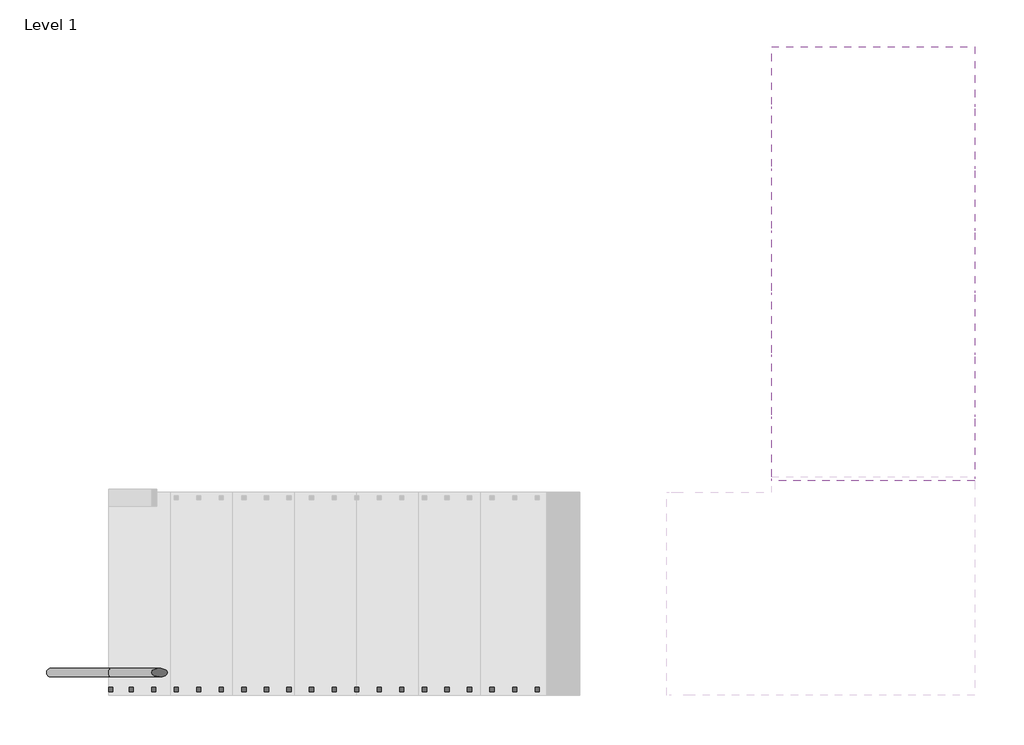
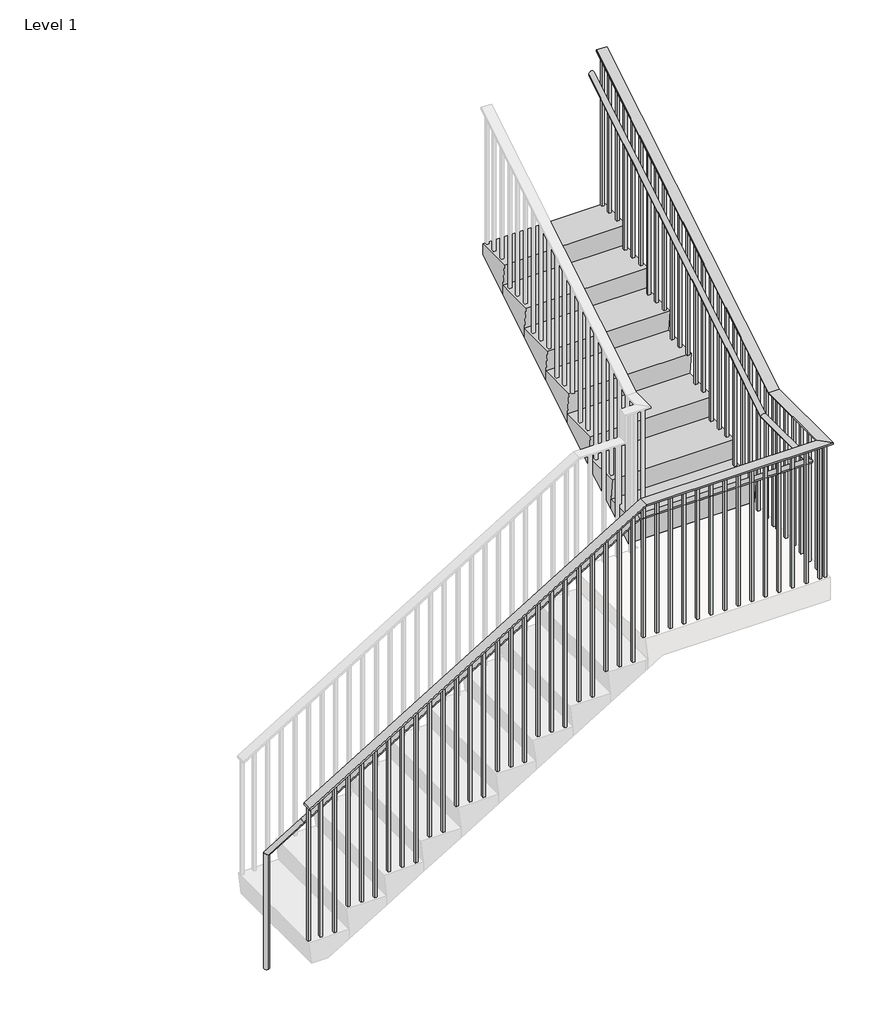
# One storey, part 2 of 2: 1 railing, 1 stair flight.
"""IFC4 building model written with IfcOpenShell, lengths in millimetres."""

from ifc_helpers import new_model, si_unit, frame, origin, place, context, project, spatial, polyline, circle_curve, ellipse_curve, outline, extrude, faceted_brep, element, save
from ifc_brep_helpers import plane_surface, cylinder_surface, advanced_brep

model = new_model("IFC4")

# Units and contexts
model_context = context("Model", 3, world=origin())
ifc_project = project(units=[si_unit("LENGTHUNIT", "METRE", prefix="MILLI")], contexts=[model_context])

# Site, building, storey
site = spatial("IfcSite", under=ifc_project)
building = spatial("IfcBuilding", under=site)
storey = spatial("IfcBuildingStorey", under=building, Name="Level 1", Elevation=0.0)

# Railing
placement = place(None, origin())
element("IfcRailing", 1, ObjectType="Guardrail - Rectangular", at=placement, inside=storey, context=model_context, shape_type="SolidModel", body=[
    advanced_brep(
    [(1438.9777256, -5324.6450782, 1067.4418146), (1438.9777256, -5362.7450782, 1067.4418146), (3949.0262314, -5362.7450782, 2588.6833333), (3949.0262314, -5324.6450782, 2588.6833333), (5247.1620529, -5362.7450782, 2588.6833333), (5209.0620529, -5324.6450782, 2588.6833333), (5247.1620529, -4754.1729247, 2588.6833333), (5209.0620529, -4754.1729247, 2588.6833333), (5247.1620529, -2524.2950782, 3940.1244524), (5209.0620529, -2524.2950782, 3940.1244524), (1168.7540779, -5362.7450782, 0.0), (1168.7540779, -5324.6450782, 0.0), (1168.7540779, -5362.7450782, 903.669907), (1168.7540779, -5324.6450782, 903.669907)],
    [
        (0, 1, circle_curve(frame((1438.9777256, -5343.6950782, 1067.4418146), z_axis=(0.8551978315540538, 0.0, 0.518301716093285), x_axis=(0.0, 1.0, 0.0)), 19.05)),
        (1, 2),
        (2, 3, ellipse_curve(frame((3949.0262314, -5343.6950782, 2588.6833333), z_axis=(-0.963119367356418, 0.0, -0.26907449567540426), x_axis=(0.26907449567540465, 0.0, -0.9631193673564179)), 19.7794797, 19.05)),
        (3, 0),
        (1, 0, circle_curve(frame((1438.9777256, -5343.6950782, 1067.4418146), z_axis=(0.8551978315540538, 0.0, 0.518301716093285), x_axis=(0.0, 1.0, 0.0)), 19.05)),
        (3, 2, ellipse_curve(frame((3949.0262314, -5343.6950782, 2588.6833333), z_axis=(-0.963119367356418, 0.0, -0.26907449567540426), x_axis=(0.26907449567540465, 0.0, -0.9631193673564179)), 19.7794797, 19.05)),
        (2, 4),
        (4, 5, ellipse_curve(frame((5228.1120529, -5343.6950782, 2588.6833333), z_axis=(-0.70710678118655, -0.7071067811865449, 0.0), x_axis=(-0.707106781186545, 0.7071067811865499, 0.0)), 26.9407684, 19.05)),
        (5, 3),
        (5, 4, ellipse_curve(frame((5228.1120529, -5343.6950782, 2588.6833333), z_axis=(-0.70710678118655, -0.7071067811865449, 0.0), x_axis=(-0.707106781186545, 0.7071067811865499, 0.0)), 26.9407684, 19.05)),
        (4, 6),
        (6, 7, ellipse_curve(frame((5228.1120529, -4754.1729247, 2588.6833333), z_axis=(0.0, -0.9631193673564181, -0.2690744956754042), x_axis=(0.0, -0.26907449567540354, 0.9631193673564181)), 19.7794797, 19.05)),
        (7, 5),
        (7, 6, ellipse_curve(frame((5228.1120529, -4754.1729247, 2588.6833333), z_axis=(0.0, -0.9631193673564181, -0.2690744956754042), x_axis=(0.0, -0.26907449567540354, 0.9631193673564181)), 19.7794797, 19.05)),
        (8, 9, ellipse_curve(frame((5228.1120529, -2524.2950782, 3940.1244524), z_axis=(0.0, 1.0, 0.0), x_axis=(0.0, 0.0, -1.0)), 22.2755476, 19.05)),
        (9, 8, ellipse_curve(frame((5228.1120529, -2524.2950782, 3940.1244524), z_axis=(0.0, 1.0, 0.0), x_axis=(0.0, 0.0, -1.0)), 22.2755476, 19.05)),
        (6, 8),
        (9, 7),
        (10, 11, circle_curve(frame((1168.7540779, -5343.6950782, 0.0), z_axis=(0.0, 0.0, -1.0), x_axis=(0.0, 1.0, 0.0)), 19.05)),
        (11, 10, circle_curve(frame((1168.7540779, -5343.6950782, 0.0), z_axis=(0.0, 0.0, -1.0), x_axis=(0.0, 1.0, 0.0)), 19.05)),
        (10, 12),
        (12, 13, ellipse_curve(frame((1168.7540779, -5343.6950782, 903.669907), z_axis=(-0.4907638352133922, 0.0, -0.8712926362862494), x_axis=(0.8712926362862494, 0.0, -0.49076383521339206)), 21.8640663, 19.05)),
        (13, 11),
        (13, 12, ellipse_curve(frame((1168.7540779, -5343.6950782, 903.669907), z_axis=(-0.4907638352133922, 0.0, -0.8712926362862494), x_axis=(0.8712926362862494, 0.0, -0.49076383521339206)), 21.8640663, 19.05)),
        (12, 1),
        (0, 13),
    ],
    [
        cylinder_surface(frame((1438.9777256, -5343.6950782, 1067.4418146), z_axis=(-0.8551978315540538, 0.0, -0.518301716093285), x_axis=(0.0, 1.0, 0.0)), 19.05),
        cylinder_surface(frame((3943.7040779, -5343.6950782, 2588.6833333), z_axis=(-1.0, 0.0, 0.0), x_axis=(0.0, 1.0, 0.0)), 19.05),
        cylinder_surface(frame((5228.1120529, -5343.6950782, 2588.6833333), z_axis=(0.0, -1.0, 0.0), x_axis=(-1.0, 0.0, 0.0)), 19.05),
        plane_surface(frame((5228.1120529, -2524.2950782, 3962.4), z_axis=(0.0, 1.0, 0.0), x_axis=(0.0, 0.0, 1.0))),
        cylinder_surface(frame((5228.1120529, -4749.6214305, 2591.4418146), z_axis=(0.0, -0.8551978315540539, -0.5183017160932849), x_axis=(-1.0, 0.0, 0.0)), 19.05),
        plane_surface(frame((1149.7040779, -5381.7950782, 0.0), z_axis=(0.0, 0.0, -1.0), x_axis=(1.0, 0.0, 0.0))),
        cylinder_surface(frame((1168.7540779, -5343.6950782, 0.0), z_axis=(0.0, 0.0, -1.0), x_axis=(0.0, 1.0, 0.0)), 19.05),
        cylinder_surface(frame((1159.5777256, -5343.6950782, 898.1084813), z_axis=(-0.8551978315540538, 0.0, -0.518301716093285), x_axis=(0.0, 1.0, 0.0)), 19.05),
    ],
    [
        (0, [[1, 2, 3, 4]]),
        (0, [[5, -4, 6, -2]]),
        (1, [[-3, 7, 8, 9]]),
        (1, [[-6, -9, 10, -7]]),
        (2, [[-8, 11, 12, 13]]),
        (2, [[-10, -13, 14, -11]]),
        (3, [[15, 16]]),
        (4, [[-12, 17, -16, 18]]),
        (4, [[-14, -18, -15, -17]]),
        (5, [[19, 20]]),
        (6, [[-19, 21, 22, 23]]),
        (6, [[-20, -23, 24, -21]]),
        (7, [[-22, 25, -1, 26]]),
        (7, [[-24, -26, -5, -25]]),
    ],
),
    faceted_brep([(1429.1040779, -5381.7950782, 1236.1333333), (1429.1040779, -5381.7950782, 1221.2829683), (1429.1040779, -5457.9950782, 1221.2829683), (1429.1040779, -5457.9950782, 1236.1333333), (3943.7040779, -5381.7950782, 2760.1333333), (3947.2521803, -5381.7950782, 2747.4333333), (3947.2521803, -5457.9950782, 2747.4333333), (3943.7040779, -5457.9950782, 2760.1333333), (5266.2120529, -5381.7950782, 2760.1333333), (5266.2120529, -5381.7950782, 2747.4333333), (5342.4120529, -5457.9950782, 2747.4333333), (5342.4120529, -5457.9950782, 2760.1333333), (5266.2120529, -4759.4950782, 2760.1333333), (5266.2120529, -4755.9469758, 2747.4333333), (5342.4120529, -4755.9469758, 2747.4333333), (5342.4120529, -4759.4950782, 2760.1333333), (5266.2120529, -2524.2950782, 4114.8), (5342.4120529, -2524.2950782, 4114.8), (5342.4120529, -2524.2950782, 4099.9496349), (5266.2120529, -2524.2950782, 4099.9496349)], [[[0, 1, 2, 3]], [[1, 0, 4, 5]], [[2, 1, 5, 6]], [[3, 2, 6, 7]], [[0, 3, 7, 4]], [[5, 4, 8, 9]], [[6, 5, 9, 10]], [[7, 6, 10, 11]], [[4, 7, 11, 8]], [[9, 8, 12, 13]], [[10, 9, 13, 14]], [[11, 10, 14, 15]], [[8, 11, 15, 12]], [[16, 17, 18, 19]], [[13, 12, 16, 19]], [[14, 13, 19, 18]], [[15, 14, 18, 17]], [[12, 15, 17, 16]]]),
    extrude(outline(polyline([(-2635.4200782, 4032.6011501), (-2616.3700782, 4044.1466046), (-2616.3700782, 2878.6666667), (-2635.4200782, 2878.6666667), (-2635.4200782, 4032.6011501)])), frame((5294.7870529, 0.0, 0.0), z_axis=(1.0, 0.0, 0.0), x_axis=(0.0, 1.0, 0.0)), (0.0, 0.0, 1.0), 19.05),
    extrude(outline(polyline([(-2737.0200782, 3971.0253925), (-2717.9700782, 3982.5708471), (-2717.9700782, 2878.6666667), (-2737.0200782, 2878.6666667), (-2737.0200782, 3971.0253925)])), frame((5294.7870529, 0.0, 0.0), z_axis=(1.0, 0.0, 0.0), x_axis=(0.0, 1.0, 0.0)), (0.0, 0.0, 1.0), 19.05),
    extrude(outline(polyline([(-2838.6200782, 3909.4496349), (-2819.5700782, 3920.9950895), (-2819.5700782, 2709.3333333), (-2838.6200782, 2709.3333333), (-2838.6200782, 3909.4496349)])), frame((5294.7870529, 0.0, 0.0), z_axis=(1.0, 0.0, 0.0), x_axis=(0.0, 1.0, 0.0)), (0.0, 0.0, 1.0), 19.05),
    extrude(outline(polyline([(-2940.2200782, 3847.8738774), (-2921.1700782, 3859.4193319), (-2921.1700782, 2709.3333333), (-2940.2200782, 2709.3333333), (-2940.2200782, 3847.8738774)])), frame((5294.7870529, 0.0, 0.0), z_axis=(1.0, 0.0, 0.0), x_axis=(0.0, 1.0, 0.0)), (0.0, 0.0, 1.0), 19.05),
    extrude(outline(polyline([(-3041.8200782, 3786.2981198), (-3022.7700782, 3797.8435743), (-3022.7700782, 2709.3333333), (-3041.8200782, 2709.3333333), (-3041.8200782, 3786.2981198)])), frame((5294.7870529, 0.0, 0.0), z_axis=(1.0, 0.0, 0.0), x_axis=(0.0, 1.0, 0.0)), (0.0, 0.0, 1.0), 19.05),
    extrude(outline(polyline([(-3143.4200782, 3724.7223622), (-3124.3700782, 3736.2678168), (-3124.3700782, 2540.0), (-3143.4200782, 2540.0), (-3143.4200782, 3724.7223622)])), frame((5294.7870529, 0.0, 0.0), z_axis=(1.0, 0.0, 0.0), x_axis=(0.0, 1.0, 0.0)), (0.0, 0.0, 1.0), 19.05),
    extrude(outline(polyline([(-3245.0200782, 3663.1466046), (-3225.9700782, 3674.6920592), (-3225.9700782, 2540.0), (-3245.0200782, 2540.0), (-3245.0200782, 3663.1466046)])), frame((5294.7870529, 0.0, 0.0), z_axis=(1.0, 0.0, 0.0), x_axis=(0.0, 1.0, 0.0)), (0.0, 0.0, 1.0), 19.05),
    extrude(outline(polyline([(-3346.6200782, 3601.5708471), (-3327.5700782, 3613.1163016), (-3327.5700782, 2540.0), (-3346.6200782, 2540.0), (-3346.6200782, 3601.5708471)])), frame((5294.7870529, 0.0, 0.0), z_axis=(1.0, 0.0, 0.0), x_axis=(0.0, 1.0, 0.0)), (0.0, 0.0, 1.0), 19.05),
    extrude(outline(polyline([(-3448.2200782, 3539.9950895), (-3429.1700782, 3551.540544), (-3429.1700782, 2370.6666667), (-3448.2200782, 2370.6666667), (-3448.2200782, 3539.9950895)])), frame((5294.7870529, 0.0, 0.0), z_axis=(1.0, 0.0, 0.0), x_axis=(0.0, 1.0, 0.0)), (0.0, 0.0, 1.0), 19.05),
    extrude(outline(polyline([(-3549.8200782, 3478.4193319), (-3530.7700782, 3489.9647865), (-3530.7700782, 2370.6666667), (-3549.8200782, 2370.6666667), (-3549.8200782, 3478.4193319)])), frame((5294.7870529, 0.0, 0.0), z_axis=(1.0, 0.0, 0.0), x_axis=(0.0, 1.0, 0.0)), (0.0, 0.0, 1.0), 19.05),
    extrude(outline(polyline([(-3651.4200782, 3416.8435743), (-3632.3700782, 3428.3890289), (-3632.3700782, 2370.6666667), (-3651.4200782, 2370.6666667), (-3651.4200782, 3416.8435743)])), frame((5294.7870529, 0.0, 0.0), z_axis=(1.0, 0.0, 0.0), x_axis=(0.0, 1.0, 0.0)), (0.0, 0.0, 1.0), 19.05),
    extrude(outline(polyline([(-3753.0200782, 3355.2678168), (-3733.9700782, 3366.8132713), (-3733.9700782, 2201.3333333), (-3753.0200782, 2201.3333333), (-3753.0200782, 3355.2678168)])), frame((5294.7870529, 0.0, 0.0), z_axis=(1.0, 0.0, 0.0), x_axis=(0.0, 1.0, 0.0)), (0.0, 0.0, 1.0), 19.05),
    extrude(outline(polyline([(-3854.6200782, 3293.6920592), (-3835.5700782, 3305.2375137), (-3835.5700782, 2201.3333333), (-3854.6200782, 2201.3333333), (-3854.6200782, 3293.6920592)])), frame((5294.7870529, 0.0, 0.0), z_axis=(1.0, 0.0, 0.0), x_axis=(0.0, 1.0, 0.0)), (0.0, 0.0, 1.0), 19.05),
    extrude(outline(polyline([(-3956.2200782, 3232.1163016), (-3937.1700782, 3243.6617561), (-3937.1700782, 2032.0), (-3956.2200782, 2032.0), (-3956.2200782, 3232.1163016)])), frame((5294.7870529, 0.0, 0.0), z_axis=(1.0, 0.0, 0.0), x_axis=(0.0, 1.0, 0.0)), (0.0, 0.0, 1.0), 19.05),
    extrude(outline(polyline([(-4057.8200782, 3170.540544), (-4038.7700782, 3182.0859986), (-4038.7700782, 2032.0), (-4057.8200782, 2032.0), (-4057.8200782, 3170.540544)])), frame((5294.7870529, 0.0, 0.0), z_axis=(1.0, 0.0, 0.0), x_axis=(0.0, 1.0, 0.0)), (0.0, 0.0, 1.0), 19.05),
    extrude(outline(polyline([(-4159.4200782, 3108.9647865), (-4140.3700782, 3120.510241), (-4140.3700782, 2032.0), (-4159.4200782, 2032.0), (-4159.4200782, 3108.9647865)])), frame((5294.7870529, 0.0, 0.0), z_axis=(1.0, 0.0, 0.0), x_axis=(0.0, 1.0, 0.0)), (0.0, 0.0, 1.0), 19.05),
    extrude(outline(polyline([(-4261.0200782, 3047.3890289), (-4241.9700782, 3058.9344834), (-4241.9700782, 1862.6666667), (-4261.0200782, 1862.6666667), (-4261.0200782, 3047.3890289)])), frame((5294.7870529, 0.0, 0.0), z_axis=(1.0, 0.0, 0.0), x_axis=(0.0, 1.0, 0.0)), (0.0, 0.0, 1.0), 19.05),
    extrude(outline(polyline([(-4362.6200782, 2985.8132713), (-4343.5700782, 2997.3587258), (-4343.5700782, 1862.6666667), (-4362.6200782, 1862.6666667), (-4362.6200782, 2985.8132713)])), frame((5294.7870529, 0.0, 0.0), z_axis=(1.0, 0.0, 0.0), x_axis=(0.0, 1.0, 0.0)), (0.0, 0.0, 1.0), 19.05),
    extrude(outline(polyline([(-4464.2200782, 2924.2375137), (-4445.1700782, 2935.7829683), (-4445.1700782, 1862.6666667), (-4464.2200782, 1862.6666667), (-4464.2200782, 2924.2375137)])), frame((5294.7870529, 0.0, 0.0), z_axis=(1.0, 0.0, 0.0), x_axis=(0.0, 1.0, 0.0)), (0.0, 0.0, 1.0), 19.05),
    extrude(outline(polyline([(-4565.8200782, 2862.6617561), (-4546.7700782, 2874.2072107), (-4546.7700782, 1693.3333333), (-4565.8200782, 1693.3333333), (-4565.8200782, 2862.6617561)])), frame((5294.7870529, 0.0, 0.0), z_axis=(1.0, 0.0, 0.0), x_axis=(0.0, 1.0, 0.0)), (0.0, 0.0, 1.0), 19.05),
    extrude(outline(polyline([(-4667.4200782, 2801.0859986), (-4648.3700782, 2812.6314531), (-4648.3700782, 1693.3333333), (-4667.4200782, 1693.3333333), (-4667.4200782, 2801.0859986)])), frame((5294.7870529, 0.0, 0.0), z_axis=(1.0, 0.0, 0.0), x_axis=(0.0, 1.0, 0.0)), (0.0, 0.0, 1.0), 19.05),
    extrude(outline(polyline([(5313.8370529, -4819.8200782), (5294.7870529, -4819.8200782), (5294.7870529, -4800.7700782), (5313.8370529, -4800.7700782), (5313.8370529, -4819.8200782)])), frame((0.0, 0.0, 1693.3333333), z_axis=(0.0, 0.0, 1.0), x_axis=(1.0, 0.0, 0.0)), (0.0, 0.0, 1.0), 1054.1),
    extrude(outline(polyline([(5313.8370529, -4921.4200782), (5294.7870529, -4921.4200782), (5294.7870529, -4902.3700782), (5313.8370529, -4902.3700782), (5313.8370529, -4921.4200782)])), frame((0.0, 0.0, 1693.3333333), z_axis=(0.0, 0.0, 1.0), x_axis=(1.0, 0.0, 0.0)), (0.0, 0.0, 1.0), 1054.1),
    extrude(outline(polyline([(5313.8370529, -5023.0200782), (5294.7870529, -5023.0200782), (5294.7870529, -5003.9700782), (5313.8370529, -5003.9700782), (5313.8370529, -5023.0200782)])), frame((0.0, 0.0, 1693.3333333), z_axis=(0.0, 0.0, 1.0), x_axis=(1.0, 0.0, 0.0)), (0.0, 0.0, 1.0), 1054.1),
    extrude(outline(polyline([(5313.8370529, -5124.6200782), (5294.7870529, -5124.6200782), (5294.7870529, -5105.5700782), (5313.8370529, -5105.5700782), (5313.8370529, -5124.6200782)])), frame((0.0, 0.0, 1693.3333333), z_axis=(0.0, 0.0, 1.0), x_axis=(1.0, 0.0, 0.0)), (0.0, 0.0, 1.0), 1054.1),
    extrude(outline(polyline([(5313.8370529, -5226.2200782), (5294.7870529, -5226.2200782), (5294.7870529, -5207.1700782), (5313.8370529, -5207.1700782), (5313.8370529, -5226.2200782)])), frame((0.0, 0.0, 1693.3333333), z_axis=(0.0, 0.0, 1.0), x_axis=(1.0, 0.0, 0.0)), (0.0, 0.0, 1.0), 1054.1),
    extrude(outline(polyline([(5313.8370529, -5327.8200782), (5294.7870529, -5327.8200782), (5294.7870529, -5308.7700782), (5313.8370529, -5308.7700782), (5313.8370529, -5327.8200782)])), frame((0.0, 0.0, 1693.3333333), z_axis=(0.0, 0.0, 1.0), x_axis=(1.0, 0.0, 0.0)), (0.0, 0.0, 1.0), 1054.1),
    extrude(outline(polyline([(5254.9790779, -5429.4200782), (5254.9790779, -5410.3700782), (5274.0290779, -5410.3700782), (5274.0290779, -5429.4200782), (5254.9790779, -5429.4200782)])), frame((0.0, 0.0, 1693.3333333), z_axis=(0.0, 0.0, 1.0), x_axis=(1.0, 0.0, 0.0)), (0.0, 0.0, 1.0), 1054.1),
    extrude(outline(polyline([(5153.3790779, -5429.4200782), (5153.3790779, -5410.3700782), (5172.4290779, -5410.3700782), (5172.4290779, -5429.4200782), (5153.3790779, -5429.4200782)])), frame((0.0, 0.0, 1693.3333333), z_axis=(0.0, 0.0, 1.0), x_axis=(1.0, 0.0, 0.0)), (0.0, 0.0, 1.0), 1054.1),
    extrude(outline(polyline([(5051.7790779, -5429.4200782), (5051.7790779, -5410.3700782), (5070.8290779, -5410.3700782), (5070.8290779, -5429.4200782), (5051.7790779, -5429.4200782)])), frame((0.0, 0.0, 1693.3333333), z_axis=(0.0, 0.0, 1.0), x_axis=(1.0, 0.0, 0.0)), (0.0, 0.0, 1.0), 1054.1),
    extrude(outline(polyline([(4950.1790779, -5429.4200782), (4950.1790779, -5410.3700782), (4969.2290779, -5410.3700782), (4969.2290779, -5429.4200782), (4950.1790779, -5429.4200782)])), frame((0.0, 0.0, 1693.3333333), z_axis=(0.0, 0.0, 1.0), x_axis=(1.0, 0.0, 0.0)), (0.0, 0.0, 1.0), 1054.1),
    extrude(outline(polyline([(4848.5790779, -5429.4200782), (4848.5790779, -5410.3700782), (4867.6290779, -5410.3700782), (4867.6290779, -5429.4200782), (4848.5790779, -5429.4200782)])), frame((0.0, 0.0, 1693.3333333), z_axis=(0.0, 0.0, 1.0), x_axis=(1.0, 0.0, 0.0)), (0.0, 0.0, 1.0), 1054.1),
    extrude(outline(polyline([(4746.9790779, -5429.4200782), (4746.9790779, -5410.3700782), (4766.0290779, -5410.3700782), (4766.0290779, -5429.4200782), (4746.9790779, -5429.4200782)])), frame((0.0, 0.0, 1693.3333333), z_axis=(0.0, 0.0, 1.0), x_axis=(1.0, 0.0, 0.0)), (0.0, 0.0, 1.0), 1054.1),
    extrude(outline(polyline([(4645.3790779, -5429.4200782), (4645.3790779, -5410.3700782), (4664.4290779, -5410.3700782), (4664.4290779, -5429.4200782), (4645.3790779, -5429.4200782)])), frame((0.0, 0.0, 1693.3333333), z_axis=(0.0, 0.0, 1.0), x_axis=(1.0, 0.0, 0.0)), (0.0, 0.0, 1.0), 1054.1),
    extrude(outline(polyline([(4543.7790779, -5429.4200782), (4543.7790779, -5410.3700782), (4562.8290779, -5410.3700782), (4562.8290779, -5429.4200782), (4543.7790779, -5429.4200782)])), frame((0.0, 0.0, 1693.3333333), z_axis=(0.0, 0.0, 1.0), x_axis=(1.0, 0.0, 0.0)), (0.0, 0.0, 1.0), 1054.1),
    extrude(outline(polyline([(4442.1790779, -5429.4200782), (4442.1790779, -5410.3700782), (4461.2290779, -5410.3700782), (4461.2290779, -5429.4200782), (4442.1790779, -5429.4200782)])), frame((0.0, 0.0, 1693.3333333), z_axis=(0.0, 0.0, 1.0), x_axis=(1.0, 0.0, 0.0)), (0.0, 0.0, 1.0), 1054.1),
    extrude(outline(polyline([(4340.5790779, -5429.4200782), (4340.5790779, -5410.3700782), (4359.6290779, -5410.3700782), (4359.6290779, -5429.4200782), (4340.5790779, -5429.4200782)])), frame((0.0, 0.0, 1693.3333333), z_axis=(0.0, 0.0, 1.0), x_axis=(1.0, 0.0, 0.0)), (0.0, 0.0, 1.0), 1054.1),
    extrude(outline(polyline([(4238.9790779, -5429.4200782), (4238.9790779, -5410.3700782), (4258.0290779, -5410.3700782), (4258.0290779, -5429.4200782), (4238.9790779, -5429.4200782)])), frame((0.0, 0.0, 1693.3333333), z_axis=(0.0, 0.0, 1.0), x_axis=(1.0, 0.0, 0.0)), (0.0, 0.0, 1.0), 1054.1),
    extrude(outline(polyline([(4137.3790779, -5429.4200782), (4137.3790779, -5410.3700782), (4156.4290779, -5410.3700782), (4156.4290779, -5429.4200782), (4137.3790779, -5429.4200782)])), frame((0.0, 0.0, 1693.3333333), z_axis=(0.0, 0.0, 1.0), x_axis=(1.0, 0.0, 0.0)), (0.0, 0.0, 1.0), 1054.1),
    extrude(outline(polyline([(4035.7790779, -5429.4200782), (4035.7790779, -5410.3700782), (4054.8290779, -5410.3700782), (4054.8290779, -5429.4200782), (4035.7790779, -5429.4200782)])), frame((0.0, 0.0, 1693.3333333), z_axis=(0.0, 0.0, 1.0), x_axis=(1.0, 0.0, 0.0)), (0.0, 0.0, 1.0), 1054.1),
    extrude(outline(polyline([(2704.8738774, 3877.0290779), (2693.3284228, 3857.9790779), (1524.0, 3857.9790779), (1524.0, 3877.0290779), (2704.8738774, 3877.0290779)])), frame((0.0, -5429.4200782, 0.0), z_axis=(0.0, 1.0, 0.0), x_axis=(0.0, 0.0, 1.0)), (0.0, 0.0, 1.0), 19.05),
    extrude(outline(polyline([(2643.2981198, 3775.4290779), (2631.7526652, 3756.3790779), (1524.0, 3756.3790779), (1524.0, 3775.4290779), (2643.2981198, 3775.4290779)])), frame((0.0, -5429.4200782, 0.0), z_axis=(0.0, 1.0, 0.0), x_axis=(0.0, 0.0, 1.0)), (0.0, 0.0, 1.0), 19.05),
    extrude(outline(polyline([(2581.7223622, 3673.8290779), (2570.1769077, 3654.7790779), (1524.0, 3654.7790779), (1524.0, 3673.8290779), (2581.7223622, 3673.8290779)])), frame((0.0, -5429.4200782, 0.0), z_axis=(0.0, 1.0, 0.0), x_axis=(0.0, 0.0, 1.0)), (0.0, 0.0, 1.0), 19.05),
    extrude(outline(polyline([(2520.1466046, 3572.2290779), (2508.6011501, 3553.1790779), (1354.6666667, 3553.1790779), (1354.6666667, 3572.2290779), (2520.1466046, 3572.2290779)])), frame((0.0, -5429.4200782, 0.0), z_axis=(0.0, 1.0, 0.0), x_axis=(0.0, 0.0, 1.0)), (0.0, 0.0, 1.0), 19.05),
    extrude(outline(polyline([(2458.5708471, 3470.6290779), (2447.0253925, 3451.5790779), (1354.6666667, 3451.5790779), (1354.6666667, 3470.6290779), (2458.5708471, 3470.6290779)])), frame((0.0, -5429.4200782, 0.0), z_axis=(0.0, 1.0, 0.0), x_axis=(0.0, 0.0, 1.0)), (0.0, 0.0, 1.0), 19.05),
    extrude(outline(polyline([(2396.9950895, 3369.0290779), (2385.4496349, 3349.9790779), (1185.3333333, 3349.9790779), (1185.3333333, 3369.0290779), (2396.9950895, 3369.0290779)])), frame((0.0, -5429.4200782, 0.0), z_axis=(0.0, 1.0, 0.0), x_axis=(0.0, 0.0, 1.0)), (0.0, 0.0, 1.0), 19.05),
    extrude(outline(polyline([(2335.4193319, 3267.4290779), (2323.8738774, 3248.3790779), (1185.3333333, 3248.3790779), (1185.3333333, 3267.4290779), (2335.4193319, 3267.4290779)])), frame((0.0, -5429.4200782, 0.0), z_axis=(0.0, 1.0, 0.0), x_axis=(0.0, 0.0, 1.0)), (0.0, 0.0, 1.0), 19.05),
    extrude(outline(polyline([(2273.8435743, 3165.8290779), (2262.2981198, 3146.7790779), (1185.3333333, 3146.7790779), (1185.3333333, 3165.8290779), (2273.8435743, 3165.8290779)])), frame((0.0, -5429.4200782, 0.0), z_axis=(0.0, 1.0, 0.0), x_axis=(0.0, 0.0, 1.0)), (0.0, 0.0, 1.0), 19.05),
    extrude(outline(polyline([(2212.2678168, 3064.2290779), (2200.7223622, 3045.1790779), (1016.0, 3045.1790779), (1016.0, 3064.2290779), (2212.2678168, 3064.2290779)])), frame((0.0, -5429.4200782, 0.0), z_axis=(0.0, 1.0, 0.0), x_axis=(0.0, 0.0, 1.0)), (0.0, 0.0, 1.0), 19.05),
    extrude(outline(polyline([(2150.6920592, 2962.6290779), (2139.1466046, 2943.5790779), (1016.0, 2943.5790779), (1016.0, 2962.6290779), (2150.6920592, 2962.6290779)])), frame((0.0, -5429.4200782, 0.0), z_axis=(0.0, 1.0, 0.0), x_axis=(0.0, 0.0, 1.0)), (0.0, 0.0, 1.0), 19.05),
    extrude(outline(polyline([(2089.1163016, 2861.0290779), (2077.5708471, 2841.9790779), (1016.0, 2841.9790779), (1016.0, 2861.0290779), (2089.1163016, 2861.0290779)])), frame((0.0, -5429.4200782, 0.0), z_axis=(0.0, 1.0, 0.0), x_axis=(0.0, 0.0, 1.0)), (0.0, 0.0, 1.0), 19.05),
    extrude(outline(polyline([(2027.540544, 2759.4290779), (2015.9950895, 2740.3790779), (846.6666667, 2740.3790779), (846.6666667, 2759.4290779), (2027.540544, 2759.4290779)])), frame((0.0, -5429.4200782, 0.0), z_axis=(0.0, 1.0, 0.0), x_axis=(0.0, 0.0, 1.0)), (0.0, 0.0, 1.0), 19.05),
    extrude(outline(polyline([(1965.9647865, 2657.8290779), (1954.4193319, 2638.7790779), (846.6666667, 2638.7790779), (846.6666667, 2657.8290779), (1965.9647865, 2657.8290779)])), frame((0.0, -5429.4200782, 0.0), z_axis=(0.0, 1.0, 0.0), x_axis=(0.0, 0.0, 1.0)), (0.0, 0.0, 1.0), 19.05),
    extrude(outline(polyline([(1904.3890289, 2556.2290779), (1892.8435743, 2537.1790779), (846.6666667, 2537.1790779), (846.6666667, 2556.2290779), (1904.3890289, 2556.2290779)])), frame((0.0, -5429.4200782, 0.0), z_axis=(0.0, 1.0, 0.0), x_axis=(0.0, 0.0, 1.0)), (0.0, 0.0, 1.0), 19.05),
    extrude(outline(polyline([(1842.8132713, 2454.6290779), (1831.2678168, 2435.5790779), (677.3333333, 2435.5790779), (677.3333333, 2454.6290779), (1842.8132713, 2454.6290779)])), frame((0.0, -5429.4200782, 0.0), z_axis=(0.0, 1.0, 0.0), x_axis=(0.0, 0.0, 1.0)), (0.0, 0.0, 1.0), 19.05),
    extrude(outline(polyline([(1781.2375137, 2353.0290779), (1769.6920592, 2333.9790779), (677.3333333, 2333.9790779), (677.3333333, 2353.0290779), (1781.2375137, 2353.0290779)])), frame((0.0, -5429.4200782, 0.0), z_axis=(0.0, 1.0, 0.0), x_axis=(0.0, 0.0, 1.0)), (0.0, 0.0, 1.0), 19.05),
    extrude(outline(polyline([(1719.6617561, 2251.4290779), (1708.1163016, 2232.3790779), (508.0, 2232.3790779), (508.0, 2251.4290779), (1719.6617561, 2251.4290779)])), frame((0.0, -5429.4200782, 0.0), z_axis=(0.0, 1.0, 0.0), x_axis=(0.0, 0.0, 1.0)), (0.0, 0.0, 1.0), 19.05),
    extrude(outline(polyline([(1658.0859986, 2149.8290779), (1646.540544, 2130.7790779), (508.0, 2130.7790779), (508.0, 2149.8290779), (1658.0859986, 2149.8290779)])), frame((0.0, -5429.4200782, 0.0), z_axis=(0.0, 1.0, 0.0), x_axis=(0.0, 0.0, 1.0)), (0.0, 0.0, 1.0), 19.05),
    extrude(outline(polyline([(1596.510241, 2048.2290779), (1584.9647865, 2029.1790779), (508.0, 2029.1790779), (508.0, 2048.2290779), (1596.510241, 2048.2290779)])), frame((0.0, -5429.4200782, 0.0), z_axis=(0.0, 1.0, 0.0), x_axis=(0.0, 0.0, 1.0)), (0.0, 0.0, 1.0), 19.05),
    extrude(outline(polyline([(1534.9344834, 1946.6290779), (1523.3890289, 1927.5790779), (338.6666667, 1927.5790779), (338.6666667, 1946.6290779), (1534.9344834, 1946.6290779)])), frame((0.0, -5429.4200782, 0.0), z_axis=(0.0, 1.0, 0.0), x_axis=(0.0, 0.0, 1.0)), (0.0, 0.0, 1.0), 19.05),
    extrude(outline(polyline([(1473.3587258, 1845.0290779), (1461.8132713, 1825.9790779), (338.6666667, 1825.9790779), (338.6666667, 1845.0290779), (1473.3587258, 1845.0290779)])), frame((0.0, -5429.4200782, 0.0), z_axis=(0.0, 1.0, 0.0), x_axis=(0.0, 0.0, 1.0)), (0.0, 0.0, 1.0), 19.05),
    extrude(outline(polyline([(1411.7829683, 1743.4290779), (1400.2375137, 1724.3790779), (338.6666667, 1724.3790779), (338.6666667, 1743.4290779), (1411.7829683, 1743.4290779)])), frame((0.0, -5429.4200782, 0.0), z_axis=(0.0, 1.0, 0.0), x_axis=(0.0, 0.0, 1.0)), (0.0, 0.0, 1.0), 19.05),
    extrude(outline(polyline([(1350.2072107, 1641.8290779), (1338.6617561, 1622.7790779), (169.3333333, 1622.7790779), (169.3333333, 1641.8290779), (1350.2072107, 1641.8290779)])), frame((0.0, -5429.4200782, 0.0), z_axis=(0.0, 1.0, 0.0), x_axis=(0.0, 0.0, 1.0)), (0.0, 0.0, 1.0), 19.05),
    extrude(outline(polyline([(1288.6314531, 1540.2290779), (1277.0859986, 1521.1790779), (169.3333333, 1521.1790779), (169.3333333, 1540.2290779), (1288.6314531, 1540.2290779)])), frame((0.0, -5429.4200782, 0.0), z_axis=(0.0, 1.0, 0.0), x_axis=(0.0, 0.0, 1.0)), (0.0, 0.0, 1.0), 19.05),
    extrude(outline(polyline([(5313.8370529, -4769.0200782), (5294.7870529, -4769.0200782), (5294.7870529, -4749.9700782), (5313.8370529, -4749.9700782), (5313.8370529, -4769.0200782)])), frame((0.0, 0.0, 1693.3333333), z_axis=(0.0, 0.0, 1.0), x_axis=(1.0, 0.0, 0.0)), (0.0, 0.0, 1.0), 1054.1),
    extrude(outline(polyline([(5294.7870529, -5429.4200782), (5294.7870529, -5410.3700782), (5313.8370529, -5410.3700782), (5313.8370529, -5429.4200782), (5294.7870529, -5429.4200782)])), frame((0.0, 0.0, 1693.3333333), z_axis=(0.0, 0.0, 1.0), x_axis=(1.0, 0.0, 0.0)), (0.0, 0.0, 1.0), 1054.1),
    extrude(outline(polyline([(2751.0556955, 3953.2290779), (2739.510241, 3934.1790779), (1693.3333333, 3934.1790779), (1693.3333333, 3953.2290779), (2751.0556955, 3953.2290779)])), frame((0.0, -5429.4200782, 0.0), z_axis=(0.0, 1.0, 0.0), x_axis=(0.0, 0.0, 1.0)), (0.0, 0.0, 1.0), 19.05),
    extrude(outline(polyline([(-2543.3450782, 4088.4041804), (-2524.2950782, 4099.9496349), (-2524.2950782, 2878.6666667), (-2543.3450782, 2878.6666667), (-2543.3450782, 4088.4041804)])), frame((5294.7870529, 0.0, 0.0), z_axis=(1.0, 0.0, 0.0), x_axis=(0.0, 1.0, 0.0)), (0.0, 0.0, 1.0), 19.05),
    extrude(outline(polyline([(1232.8284228, 1448.1540779), (1221.2829683, 1429.1040779), (169.3333333, 1429.1040779), (169.3333333, 1448.1540779), (1232.8284228, 1448.1540779)])), frame((0.0, -5429.4200782, 0.0), z_axis=(0.0, 1.0, 0.0), x_axis=(0.0, 0.0, 1.0)), (0.0, 0.0, 1.0), 19.05),
])

# Stair flight
element("IfcStairFlight", 2, ObjectType="3/4\" Nosing", at=placement, inside=storey, context=model_context, shape_type="Brep", body=[
    faceted_brep([(4415.3120529, -4480.0950782, 1862.6666667), (5329.7120529, -4480.0950782, 1862.6666667), (5329.7120529, -4181.6450782, 1862.6666667), (4415.3120529, -4181.6450782, 1862.6666667), (4415.3120529, -4181.6450782, 1788.4148413), (4415.3120529, -4461.0450782, 1619.081508), (4415.3120529, -4461.0450782, 1693.3333333), (5329.7120529, -4461.0450782, 1693.3333333), (5329.7120529, -4461.0450782, 1619.081508), (5329.7120529, -4181.6450782, 1788.4148413), (4415.3120529, -4200.6950782, 2032.0), (5329.7120529, -4200.6950782, 2032.0), (5329.7120529, -3902.2450782, 2032.0), (4415.3120529, -3902.2450782, 2032.0), (4415.3120529, -3902.2450782, 1957.7481747), (5329.7120529, -3902.2450782, 1957.7481747), (4415.3120529, -3921.2950782, 2201.3333333), (5329.7120529, -3921.2950782, 2201.3333333), (5329.7120529, -3622.8450782, 2201.3333333), (4415.3120529, -3622.8450782, 2201.3333333), (4415.3120529, -3622.8450782, 2127.081508), (5329.7120529, -3622.8450782, 2127.081508), (4415.3120529, -3641.8950782, 2370.6666667), (5329.7120529, -3641.8950782, 2370.6666667), (5329.7120529, -3343.4450782, 2370.6666667), (4415.3120529, -3343.4450782, 2370.6666667), (4415.3120529, -3343.4450782, 2296.4148413), (5329.7120529, -3343.4450782, 2296.4148413), (4415.3120529, -3362.4950782, 2540.0), (5329.7120529, -3362.4950782, 2540.0), (5329.7120529, -3064.0450782, 2540.0), (4415.3120529, -3064.0450782, 2540.0), (4415.3120529, -3064.0450782, 2465.7481747), (5329.7120529, -3064.0450782, 2465.7481747), (4415.3120529, -3083.0950782, 2709.3333333), (5329.7120529, -3083.0950782, 2709.3333333), (5329.7120529, -2784.6450782, 2709.3333333), (4415.3120529, -2784.6450782, 2709.3333333), (4415.3120529, -2784.6450782, 2635.081508), (5329.7120529, -2784.6450782, 2635.081508), (4415.3120529, -2803.6950782, 2878.6666667), (5329.7120529, -2803.6950782, 2878.6666667), (5329.7120529, -2524.2950782, 2878.6666667), (4415.3120529, -2524.2950782, 2878.6666667), (4415.3120529, -2524.2950782, 2792.8693868), (5329.7120529, -2524.2950782, 2792.8693868)], [[[0, 1, 2, 3]], [[0, 3, 4, 5, 6]], [[7, 6, 5, 8]], [[2, 1, 7, 8, 9]], [[10, 11, 12, 13]], [[10, 13, 14, 4, 3]], [[12, 11, 2, 9, 15]], [[16, 17, 18, 19]], [[16, 19, 20, 14, 13]], [[18, 17, 12, 15, 21]], [[22, 23, 24, 25]], [[22, 25, 26, 20, 19]], [[24, 23, 18, 21, 27]], [[28, 29, 30, 31]], [[28, 31, 32, 26, 25]], [[30, 29, 24, 27, 33]], [[34, 35, 36, 37]], [[34, 37, 38, 32, 31]], [[36, 35, 30, 33, 39]], [[1, 0, 6, 7]], [[11, 10, 3, 2]], [[17, 16, 13, 12]], [[23, 22, 19, 18]], [[29, 28, 25, 24]], [[35, 34, 31, 30]], [[40, 41, 42, 43]], [[40, 43, 44, 38, 37]], [[42, 41, 36, 39, 45]], [[43, 42, 45, 44]], [[41, 40, 37, 36]], [[5, 4, 14, 20, 26, 32, 38, 44, 45, 39, 33, 27, 21, 15, 9, 8]]]),
])

save(model, "model.ifc")
